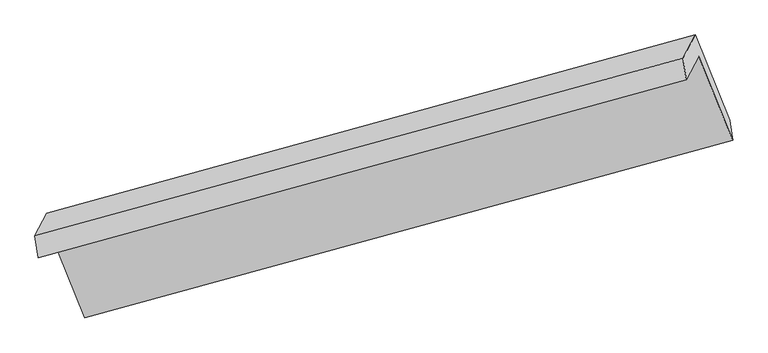
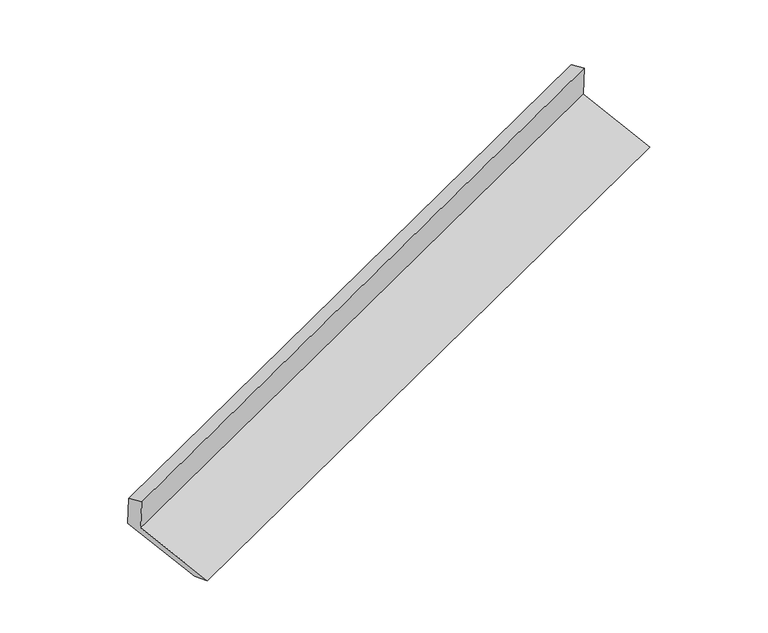
"""IFC4 building model written with IfcOpenShell, lengths in millimetres: proxy geometry."""

from ifc_helpers import new_model, si_unit, frame, origin, place, context, project, spatial, source, transform, mapped, element, save
from ifc_brep_helpers import plane_surface, spline_surface, advanced_brep


def generic_models_1c25b289(model_context):
    return source(origin(), model_context, "Body", "AdvancedBrep", [
        advanced_brep(
        [(-5227.3721784, -2108.7752698, 1461.7443276), (-5141.2244608, -1943.9386529, 1097.4147558), (-656.3531098, -714.6304939, 2697.2315197), (-742.5008274, -879.4671107, 3061.5610915), (-5249.478685, -1958.7135511, 1408.6053058), (-764.607334, -729.405392, 3008.4220697), (-5167.5085742, -1801.8704434, 1061.9433606), (-680.5312214, -568.5326222, 2652.8535774), (-4932.5527083, -2383.5120509, 854.3430748), (-442.0195345, -1158.9767913, 2442.1114698), (-4906.4769397, -2525.0644956, 889.9985575), (-421.6055887, -1295.7563365, 2489.8153214)],
        [
            (0, 1),
            (1, 2),
            (2, 3),
            (3, 0),
            (4, 0),
            (3, 5),
            (5, 4),
            (6, 4),
            (5, 7),
            (7, 6),
            (8, 6),
            (7, 9),
            (9, 8),
            (10, 8),
            (9, 11),
            (11, 10),
            (1, 10),
            (11, 2),
        ],
        [
            plane_surface(frame((-5184.2983196, -2026.3569614, 1279.5795417), z_axis=(0.35372970318179153, -0.8807637925823495, -0.3148498670205816), x_axis=(0.2106001702494113, 0.40296621337092736, -0.8906547025488695))),
            plane_surface(frame((-5238.4254317, -2033.7444104, 1435.1748167), z_axis=(-0.38638660856094614, 0.25677922567521116, 0.8858723485843822), x_axis=(0.137546561291901, -0.9336831820030468, 0.3306306990003179))),
            plane_surface(frame((-5208.4936296, -1880.2919972, 1235.2743332), z_axis=(-0.35372970318179164, 0.8807637925823495, 0.31484986702058176), x_axis=(-0.21060017024941113, -0.4029662133709275, 0.8906547025488696))),
            plane_surface(frame((-5050.0306412, -2092.6912471, 958.1432177), z_axis=(0.20596832198409426, 0.4016874040738463, -0.8923140028865799), x_axis=(-0.3555821092391752, 0.8802561659586647, 0.314182185810671))),
            spline_surface(1, 1, [[(-4906.4769397, -2525.0644956, 889.9985575), (-421.6055887, -1295.7563365, 2489.8153214)], [(-4932.5527083, -2383.5120509, 854.3430748), (-442.0195345, -1158.9767913, 2442.1114698)]], [2, 2], [2, 2], [0.0, 1.0], [0.0, 1.0]),
            plane_surface(frame((-5023.8507002, -2234.5015743, 993.7066567), z_axis=(-0.20782169140513918, -0.40220017109578504, 0.8916530530155935), x_axis=(0.3555821092391674, -0.8802561659586652, -0.3141821858106787))),
            plane_surface(frame((-617.9362693, -891.1281244, 2725.3325083), z_axis=(0.9106090993834501, 0.25053405591505784, 0.3286696745165466), x_axis=(-0.3555821092391752, 0.8802561659586647, 0.314182185810671))),
            plane_surface(frame((-5104.1022577, -2120.3124106, 1129.0082303), z_axis=(-0.910609099383455, -0.2505340559150461, -0.328669674516542), x_axis=(-0.2106001702494109, -0.4029662133709269, 0.8906547025488698))),
        ],
        [
            (0, [[1, 2, 3, 4]]),
            (1, [[5, -4, 6, 7]]),
            (2, [[8, -7, 9, 10]]),
            (3, [[11, -10, 12, 13]]),
            (4, [[14, -13, 15, 16]]),
            (5, [[17, -16, 18, -2]]),
            (6, [[-12, -9, -6, -3, -18, -15]]),
            (7, [[-1, -5, -8, -11, -14, -17]]),
        ],
    ),
    ])


if __name__ == "__main__":
    model = new_model("IFC4")
    model_context = context("Model", 3, world=origin())
    ifc_project = project(units=[si_unit("LENGTHUNIT", "METRE", prefix="MILLI")], contexts=[model_context])
    site = spatial("IfcSite", under=ifc_project)
    building = spatial("IfcBuilding", under=site)
    placement = place(None, origin())
    generic_models_shape = generic_models_1c25b289(model_context)
    element("IfcBuildingElementProxy", 1, Name="Generic Models", at=placement, inside=building, context=model_context, shape_type="MappedRepresentation", body=[
        mapped(generic_models_shape, transform((0.0, 0.0, 0.0), x_axis=(1.0, 0.0, 0.0), y_axis=(0.0, 1.0, 0.0), z_axis=(0.0, 0.0, 1.0))),
    ])
    save(model, "model.ifc")
